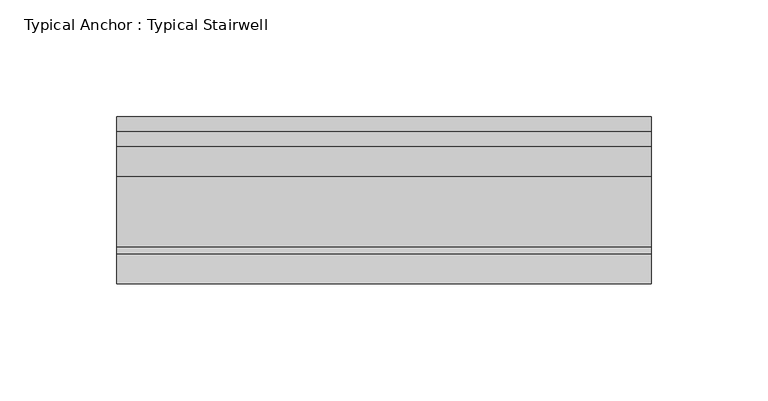
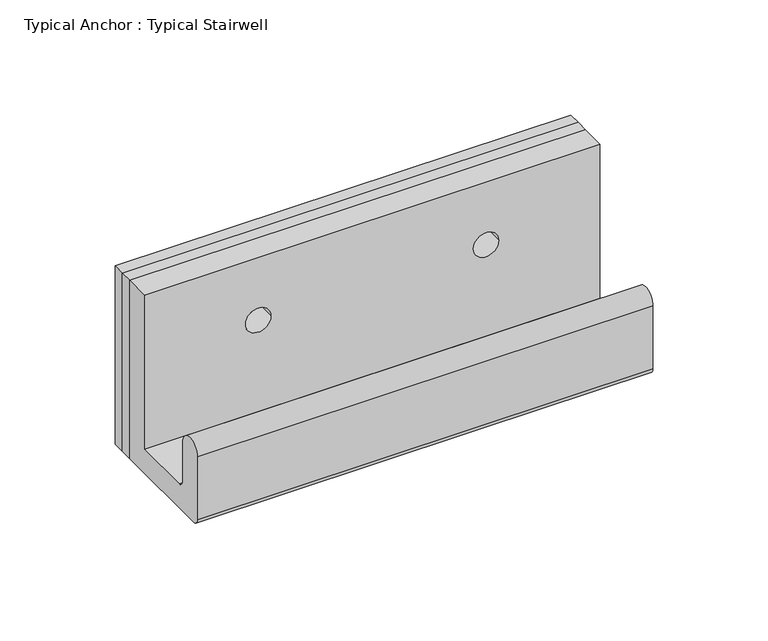
"""IFC4 building model written with IfcOpenShell, lengths in millimetres: fastener geometry, Typical Anchor : Typical Stairwell."""

from ifc_helpers import new_model, si_unit, frame, origin, origin_with_axes, place, context, project, spatial, polyline, circle_curve, outline, extrude, source, transform, mapped, element, save
from ifc_brep_helpers import plane_surface, cylinder_surface, revolved_surface, advanced_brep


def typical_anchor_typical_stairwell_88cc1d4e(model_context):
    return source(origin(), model_context, "Body", "SolidModel", [
        advanced_brep(
        [(-63.5, -12.7, 61.11875), (-63.5, -25.4, 61.11875), (-50.8, -25.4, 61.11875), (-50.8, -12.7, 61.11875), (114.3, -12.7, 94.45625), (114.3, -25.4, 94.45625), (114.3, -25.4, 12.7), (114.3, -55.5625, 12.7), (114.3, -58.7375, 15.875), (114.3, -58.7375, 36.5125), (114.3, -71.4375, 36.5125), (114.3, -71.4375, 3.175), (114.3, -68.2625, 0.0), (114.3, -12.7, 0.0), (-114.3, -12.7, 94.45625), (-114.3, -12.7, 0.0), (-114.3, -68.2625, 0.0), (-114.3, -71.4375, 3.175), (-114.3, -71.4375, 36.5125), (-114.3, -58.7375, 36.5125), (-114.3, -58.7375, 15.875), (-114.3, -55.5625, 12.7), (-114.3, -25.4, 12.7), (-114.3, -25.4, 94.45625), (50.8, -12.7, 61.11875), (50.8, -25.4, 61.11875), (63.5, -25.4, 61.11875), (63.5, -12.7, 61.11875)],
        [
            (0, 1),
            (1, 2, circle_curve(frame((-57.15, -25.4, 61.11875), z_axis=(0.0, -1.0, 0.0), x_axis=(1.0, 0.0, 0.0)), 6.35)),
            (2, 3),
            (3, 0, circle_curve(frame((-57.15, -12.7, 61.11875), z_axis=(0.0, 1.0, 0.0), x_axis=(1.0, 0.0, 0.0)), 6.35)),
            (0, 3, circle_curve(frame((-57.15, -12.7, 61.11875), z_axis=(0.0, 1.0, 0.0), x_axis=(1.0, 0.0, 0.0)), 6.35)),
            (2, 1, circle_curve(frame((-57.15, -25.4, 61.11875), z_axis=(0.0, -1.0, 0.0), x_axis=(1.0, 0.0, 0.0)), 6.35)),
            (4, 5),
            (5, 6),
            (6, 7),
            (7, 8, circle_curve(frame((114.3, -55.5625, 15.875), z_axis=(-1.0, 0.0, 0.0), x_axis=(0.0, -1.0, 0.0)), 3.175)),
            (8, 9),
            (9, 10, circle_curve(frame((114.3, -65.0875, 36.5125), z_axis=(1.0, 0.0, 0.0), x_axis=(0.0, -1.0, 0.0)), 6.35)),
            (10, 11),
            (11, 12, circle_curve(frame((114.3, -68.2625, 3.175), z_axis=(1.0, 0.0, 0.0), x_axis=(0.0, -1.0, 0.0)), 3.175)),
            (12, 13),
            (13, 4),
            (14, 15),
            (15, 16),
            (16, 17, circle_curve(frame((-114.3, -68.2625, 3.175), z_axis=(-1.0, 0.0, 0.0), x_axis=(0.0, -1.0, 0.0)), 3.175)),
            (17, 18),
            (18, 19, circle_curve(frame((-114.3, -65.0875, 36.5125), z_axis=(-1.0, 0.0, 0.0), x_axis=(0.0, -1.0, 0.0)), 6.35)),
            (19, 20),
            (20, 21, circle_curve(frame((-114.3, -55.5625, 15.875), z_axis=(1.0, 0.0, 0.0), x_axis=(0.0, -1.0, 0.0)), 3.175)),
            (21, 22),
            (22, 23),
            (23, 14),
            (4, 14),
            (23, 5),
            (24, 25),
            (25, 26, circle_curve(frame((57.15, -25.4, 61.11875), z_axis=(0.0, -1.0, 0.0), x_axis=(-1.0, 0.0, 0.0)), 6.35)),
            (26, 27),
            (27, 24, circle_curve(frame((57.15, -12.7, 61.11875), z_axis=(0.0, 1.0, 0.0), x_axis=(-1.0, 0.0, 0.0)), 6.35)),
            (24, 27, circle_curve(frame((57.15, -12.7, 61.11875), z_axis=(0.0, 1.0, 0.0), x_axis=(-1.0, 0.0, 0.0)), 6.35)),
            (26, 25, circle_curve(frame((57.15, -25.4, 61.11875), z_axis=(0.0, -1.0, 0.0), x_axis=(-1.0, 0.0, 0.0)), 6.35)),
            (22, 6),
            (21, 7),
            (20, 8),
            (19, 9),
            (18, 10),
            (17, 11),
            (16, 12),
            (15, 13),
        ],
        [
            revolved_surface(polyline([(-50.8, -25.400000000000006, 61.11875), (-50.8, -12.699999999999989, 61.11875)]), (-57.15, 176.9675317, 61.11875), (0.0, -1.0, 0.0)),
            plane_surface(frame((114.3, -25.4, 94.45625), z_axis=(1.0, 0.0, 0.0), x_axis=(0.0, -1.0, 0.0))),
            plane_surface(frame((-114.3, -25.4, 94.45625), z_axis=(-1.0, 0.0, 0.0), x_axis=(0.0, 1.0, 0.0))),
            plane_surface(frame((114.3, -12.7, 94.45625), z_axis=(0.0, 0.0, 1.0), x_axis=(-1.0, 0.0, 0.0))),
            revolved_surface(polyline([(50.8, -25.400000000000006, 61.11875), (50.8, -12.699999999999989, 61.11875)]), (57.15, 176.9675317, 61.11875), (0.0, -1.0, 0.0)),
            plane_surface(frame((114.3, -25.4, 94.45625), z_axis=(0.0, -1.0, 0.0), x_axis=(-1.0, 0.0, 0.0))),
            plane_surface(frame((114.3, -25.4, 12.7), z_axis=(0.0, 0.0, 1.0), x_axis=(-1.0, 0.0, 0.0))),
            revolved_surface(polyline([(-114.3, -58.7375, 15.875), (114.3, -58.7375, 15.875)]), (-114.3, -55.5625, 15.875), (-1.0, 0.0, 0.0)),
            plane_surface(frame((114.3, -58.7375, 15.875), z_axis=(0.0, 1.0, 0.0), x_axis=(-1.0, 0.0, 0.0))),
            cylinder_surface(frame((-114.3, -65.0875, 36.5125), z_axis=(1.0, 0.0, 0.0), x_axis=(0.0, -1.0, 0.0)), 6.35),
            plane_surface(frame((114.3, -71.4375, 36.5125), z_axis=(0.0, -1.0, 0.0), x_axis=(-1.0, 0.0, 0.0))),
            cylinder_surface(frame((-114.3, -68.2625, 3.175), z_axis=(1.0, 0.0, 0.0), x_axis=(0.0, -1.0, 0.0)), 3.175),
            plane_surface(frame((114.3, -68.2625, 0.0), z_axis=(0.0, 0.0, -1.0), x_axis=(-1.0, 0.0, 0.0))),
            plane_surface(frame((114.3, -12.7, 0.0), z_axis=(0.0, 1.0, 0.0), x_axis=(-1.0, 0.0, 0.0))),
        ],
        [
            (0, [[1, 2, 3, 4]]),
            (0, [[-1, 5, -3, 6]]),
            (1, [[7, 8, 9, 10, 11, 12, 13, 14, 15, 16]]),
            (2, [[17, 18, 19, 20, 21, 22, 23, 24, 25, 26]]),
            (3, [[-7, 27, -26, 28]]),
            (4, [[29, 30, 31, 32]]),
            (4, [[-29, 33, -31, 34]]),
            (5, [[-8, -28, -25, 35], [-2, -6], [-30, -34]]),
            (6, [[-9, -35, -24, 36]]),
            (7, [[-10, -36, -23, 37]]),
            (8, [[-11, -37, -22, 38]]),
            (9, [[-12, -38, -21, 39]]),
            (10, [[-13, -39, -20, 40]]),
            (11, [[-14, -40, -19, 41]]),
            (12, [[-15, -41, -18, 42]]),
            (13, [[-16, -42, -17, -27], [-4, -5], [-32, -33]]),
        ],
    ),
        extrude(outline(polyline([(114.3, -6.35), (114.3, -12.7), (-114.3, -12.7), (-114.3, -6.35), (114.3, -6.35)])), origin_with_axes(), (0.0, 0.0, 1.0), 94.45625),
        extrude(outline(polyline([(114.3, 0.0), (114.3, -6.35), (-114.3, -6.35), (-114.3, 0.0), (114.3, 0.0)])), origin_with_axes(), (0.0, 0.0, 1.0), 94.45625),
    ])


if __name__ == "__main__":
    model = new_model("IFC4")
    model_context = context("Model", 3, world=origin())
    ifc_project = project(units=[si_unit("LENGTHUNIT", "METRE", prefix="MILLI")], contexts=[model_context])
    site = spatial("IfcSite", under=ifc_project)
    building = spatial("IfcBuilding", under=site)
    placement = place(None, origin())
    typical_anchor_typical_stairwell_shape = typical_anchor_typical_stairwell_88cc1d4e(model_context)
    element("IfcFastener", 1, ObjectType="Typical Anchor : Typical Stairwell", at=placement, inside=building, context=model_context, shape_type="MappedRepresentation", body=[
        mapped(typical_anchor_typical_stairwell_shape, transform((0.0, 0.0, 0.0), x_axis=(1.0, 0.0, 0.0), y_axis=(0.0, 1.0, 0.0), z_axis=(0.0, 0.0, 1.0))),
    ])
    save(model, "model.ifc")
